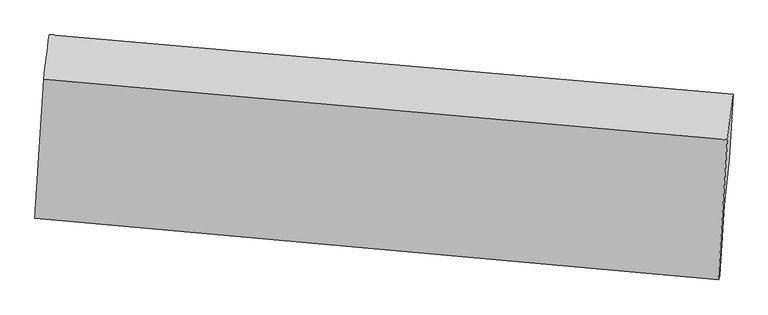
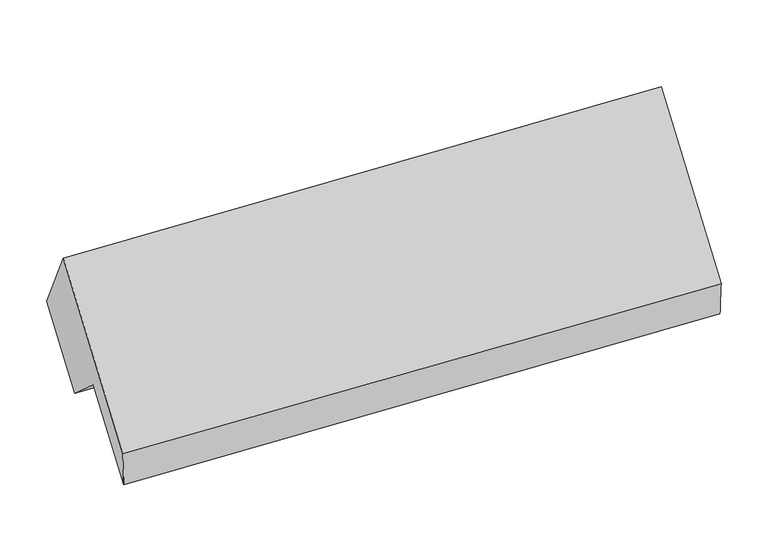
"""IFC4 building model written with IfcOpenShell, lengths in millimetres: proxy geometry."""

from ifc_helpers import new_model, si_unit, frame, origin, place, context, project, spatial, source, transform, mapped, element, save
from ifc_brep_helpers import plane_surface, spline_surface, advanced_brep


def generic_models_28a0f915(model_context):
    return source(origin(), model_context, "Body", "AdvancedBrep", [
        advanced_brep(
        [(-5089.8988655, -959.971449, 2675.8349206), (-5146.3325609, -1870.1058723, 1616.2812532), (-662.9114721, -2274.0885283, 1711.3055012), (-606.0740794, -1357.4434771, 2778.4386641), (-5140.705144, -1869.6081428, 1355.6476433), (-654.494351, -2244.4581553, 1438.692466), (-5111.8224873, -1403.8030967, 1897.925171), (-626.0153916, -1785.1637372, 1973.3904982), (-5079.2111656, -1094.6112721, 1630.5989288), (-594.1994055, -1483.5125844, 1712.5838963), (-5052.7889997, -668.4877913, 2126.6802607), (-567.7772396, -1057.3891036, 2208.6652281)],
        [
            (0, 1),
            (1, 2),
            (2, 3),
            (3, 0),
            (1, 4),
            (4, 5),
            (5, 2),
            (4, 6),
            (6, 7),
            (7, 5),
            (6, 8),
            (8, 9),
            (9, 7),
            (8, 10),
            (10, 11),
            (11, 9),
            (10, 0),
            (3, 11),
        ],
        [
            plane_surface(frame((-5118.1157132, -1415.0386607, 2146.0580869), z_axis=(-0.0817454660515197, -0.7538729866715681, 0.6519150241763951), x_axis=(-0.04036972857981892, -0.6510627979392704, -0.7579495485544409))),
            spline_surface(1, 1, [[(-5146.3325609, -1870.1058723, 1616.2812532), (-662.9114721, -2274.0885283, 1711.3055012)], [(-5140.705144, -1869.6081428, 1355.6476433), (-654.494351, -2244.4581553, 1438.692466)]], [2, 2], [2, 2], [0.0, 1.0], [0.0, 1.0]),
            plane_surface(frame((-5126.2638157, -1636.7056198, 1626.7864072), z_axis=(0.07510861411983188, 0.7544444211482616, -0.652052384002438), x_axis=(0.04036972857981959, 0.6510627979392782, 0.757949548554434))),
            plane_surface(frame((-5095.5168264, -1249.2071844, 1764.2620499), z_axis=(-0.042581727752139836, -0.6508688533678414, -0.7579950739795571), x_axis=(0.0795335634694975, 0.7540671852841293, -0.6519640268906821))),
            plane_surface(frame((-5066.0000826, -881.5495317, 1878.6395947), z_axis=(0.07732126857804068, 0.7542576643642319, -0.6520098137093463), x_axis=(0.04036972857981966, 0.6510627979392745, 0.7579495485544373))),
            spline_surface(1, 1, [[(-5052.7889997, -668.4877913, 2126.6802607), (-567.7772396, -1057.3891036, 2208.6652281)], [(-5089.8988655, -959.971449, 2675.8349206), (-606.0740794, -1357.4434771, 2778.4386641)]], [2, 2], [2, 2], [0.0, 1.0], [0.0, 1.0]),
            plane_surface(frame((-618.5786565, -1700.3425977, 1970.512709), z_axis=(0.9960144061690249, -0.08660203933601437, 0.021339856761663018), x_axis=(0.04036972857981966, 0.6510627979392745, 0.7579495485544373))),
            plane_surface(frame((-5103.4598705, -1311.0979374, 1883.8280296), z_axis=(-0.996014406169025, 0.08660203933601258, -0.021339856761663643), x_axis=(0.05958315577311946, 0.46800266713047395, -0.8817161397563725))),
        ],
        [
            (0, [[1, 2, 3, 4]]),
            (1, [[5, 6, 7, -2]]),
            (2, [[8, 9, 10, -6]]),
            (3, [[11, 12, 13, -9]]),
            (4, [[14, 15, 16, -12]]),
            (5, [[17, -4, 18, -15]]),
            (6, [[-16, -18, -3, -7, -10, -13]]),
            (7, [[-17, -14, -11, -8, -5, -1]]),
        ],
    ),
    ])


if __name__ == "__main__":
    model = new_model("IFC4")
    model_context = context("Model", 3, world=origin())
    ifc_project = project(units=[si_unit("LENGTHUNIT", "METRE", prefix="MILLI")], contexts=[model_context])
    site = spatial("IfcSite", under=ifc_project)
    building = spatial("IfcBuilding", under=site)
    placement = place(None, origin())
    generic_models_shape = generic_models_28a0f915(model_context)
    element("IfcBuildingElementProxy", 1, Name="Generic Models", at=placement, inside=building, context=model_context, shape_type="MappedRepresentation", body=[
        mapped(generic_models_shape, transform((0.0, 0.0, 0.0), x_axis=(1.0, 0.0, 0.0), y_axis=(0.0, 1.0, 0.0), z_axis=(0.0, 0.0, 1.0))),
    ])
    save(model, "model.ifc")
